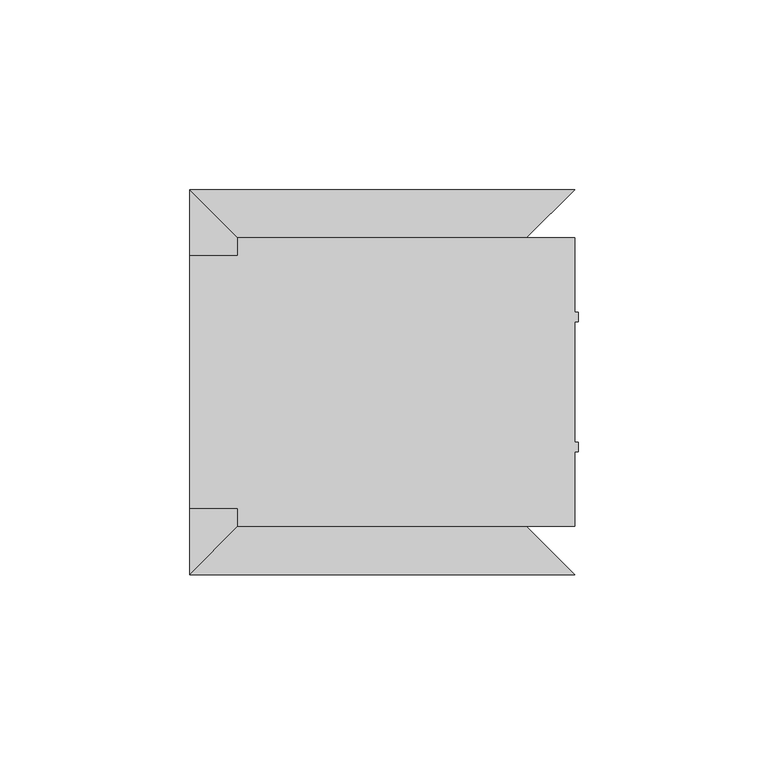
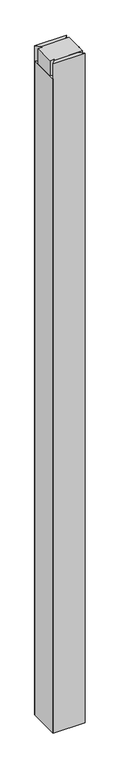
"""IFC4 building model written with IfcOpenShell, lengths in millimetres: furniture geometry."""

from ifc_helpers import new_model, si_unit, frame, origin, place, context, project, spatial, polyline, outline, extrude, faceted_brep, source, transform, mapped, element, save


def furniture_85938289(model_context):
    return source(origin(), model_context, "Body", "SolidModel", [
        faceted_brep([(12.7000017, 12.7000002, 2286.0), (101.5999589, 12.7000002, 2286.0), (101.5999589, 32.3850461, 2286.0), (102.615958, 32.3850461, 2286.0), (102.615958, 34.925046, 2286.0), (101.5999589, 34.925046, 2286.0), (101.5999589, 66.6750452, 2286.0), (102.615958, 66.6750452, 2286.0), (102.615958, 69.2150473, 2286.0), (101.5999589, 69.2150473, 2286.0), (101.5999589, 88.8999968, 2286.0), (12.7000017, 88.8999968, 2286.0), (12.7000017, 84.1375422, 2286.0), (-4.41e-05, 84.1375422, 2286.0), (-4.41e-05, 17.4625456, 2286.0), (12.7000017, 17.4625456, 2286.0), (12.7000017, 12.7000002, 25.4000008), (12.7000017, 88.8999968, 25.4000008), (101.5999589, 88.8999968, 25.4000008), (101.5999589, 69.2150473, 25.4000008), (102.615958, 69.2150473, 25.4000008), (102.615958, 66.6750452, 25.4000008), (101.5999589, 66.6750452, 25.4000008), (101.5999589, 34.925046, 25.4000008), (102.615958, 34.925046, 25.4000008), (102.615958, 32.3850461, 25.4000008), (101.5999589, 32.3850461, 25.4000008), (101.5999589, 12.7000002, 25.4000008), (12.7000017, 17.4625456, 2234.4125965), (12.7000017, 84.1375422, 2234.4125965), (-4.41e-05, 17.4625456, 2234.4125965), (-4.41e-05, 84.1375422, 2234.4125965)], [[[0, 1, 2, 3, 4, 5, 6, 7, 8, 9, 10, 11, 12, 13, 14, 15]], [[16, 17, 18, 19, 20, 21, 22, 23, 24, 25, 26, 27]], [[11, 10, 18, 17]], [[1, 0, 16, 27]], [[2, 1, 27, 26]], [[3, 2, 26, 25]], [[4, 3, 25, 24]], [[5, 4, 24, 23]], [[6, 5, 23, 22]], [[7, 6, 22, 21]], [[8, 7, 21, 20]], [[9, 8, 20, 19]], [[10, 9, 19, 18]], [[17, 16, 0, 15, 28, 29, 12, 11]], [[30, 31, 29, 28]], [[15, 14, 30, 28]], [[13, 12, 29, 31]], [[14, 13, 31, 30]]]),
        extrude(outline(polyline([(0.0, -5.9e-06), (0.0, 101.5999972), (12.7000017, 88.9000011), (12.7000017, 12.6999958), (0.0, -5.9e-06)])), frame((0.0, 0.0, 25.4000008), z_axis=(0.0, 0.0, 1.0), x_axis=(1.0, 0.0, 0.0)), (0.0, 0.0, 1.0), 2209.0125958),
        extrude(outline(polyline([(-4.41e-05, 101.6000483), (101.5999589, 101.6000483), (88.8999629, 88.9000466), (12.6999576, 88.9000466), (-4.41e-05, 101.6000483)])), frame((0.0, 0.0, 25.4000008), z_axis=(0.0, 0.0, 1.0), x_axis=(1.0, 0.0, 0.0)), (0.0, 0.0, 1.0), 2260.5999992),
        extrude(outline(polyline([(12.6999652, 12.7000488), (88.8999553, 12.7000488), (101.5999589, 4.52e-05), (-4.41e-05, 4.52e-05), (12.6999652, 12.7000488)])), frame((0.0, 0.0, 25.4000008), z_axis=(0.0, 0.0, 1.0), x_axis=(1.0, 0.0, 0.0)), (0.0, 0.0, 1.0), 2260.5999992),
    ])


if __name__ == "__main__":
    model = new_model("IFC4")
    model_context = context("Model", 3, world=origin())
    ifc_project = project(units=[si_unit("LENGTHUNIT", "METRE", prefix="MILLI")], contexts=[model_context])
    site = spatial("IfcSite", under=ifc_project)
    building = spatial("IfcBuilding", under=site)
    placement = place(None, origin())
    furniture_shape = furniture_85938289(model_context)
    element("IfcFurniture", 1, at=placement, inside=building, context=model_context, shape_type="MappedRepresentation", body=[
        mapped(furniture_shape, transform((0.0, 0.0, 0.0), x_axis=(1.0, 0.0, 0.0), y_axis=(0.0, 1.0, 0.0), z_axis=(0.0, 0.0, 1.0))),
    ])
    save(model, "model.ifc")
